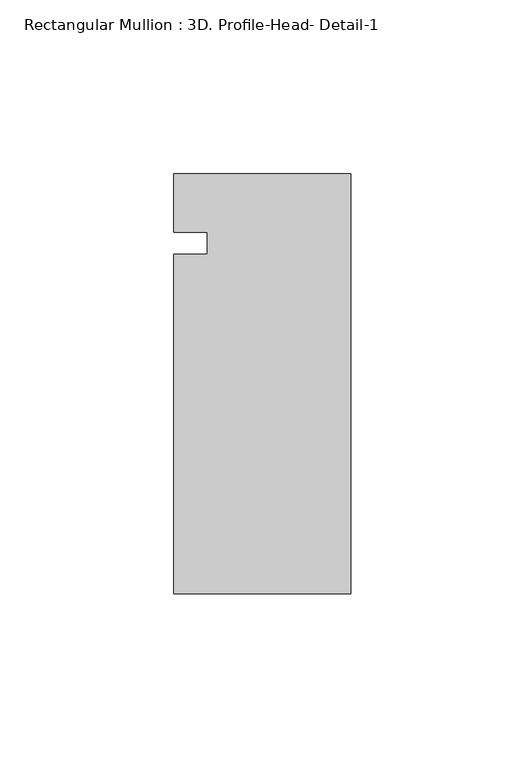
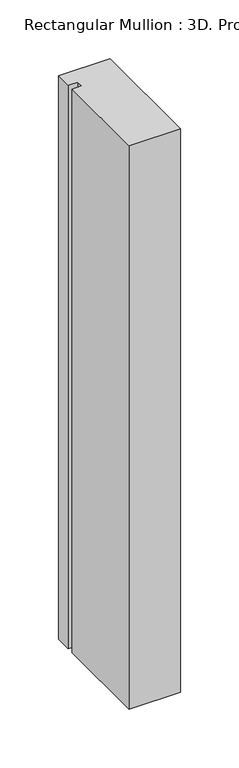
"""IFC4 building model written with IfcOpenShell, lengths in millimetres: member geometry, Rectangular Mullion : 3D. Profile-Head- Detail-1."""

from ifc_helpers import new_model, si_unit, frame, origin, place, context, project, spatial, polyline, outline, extrude, source, transform, mapped, element, save


def rectangular_mullion_3d_profile_head_detail_1_55a8b9af(model_context):
    return source(origin(), model_context, "Body", "SweptSolid", [
        extrude(outline(polyline([(0.0, -59.9711801), (-50.8, -59.9711801), (-50.8, 37.5487695), (-41.275, 37.5487695), (-41.275, 43.9875445), (-50.8, 43.9875445), (-50.8, 60.6788199), (0.0, 60.6788199), (0.0, -59.9711801)])), frame((0.0, 0.0, -587.4934446), z_axis=(0.0, 0.0, 1.0), x_axis=(1.0, 0.0, 0.0)), (0.0, 0.0, 1.0), 587.4934446),
    ])


if __name__ == "__main__":
    model = new_model("IFC4")
    model_context = context("Model", 3, world=origin())
    ifc_project = project(units=[si_unit("LENGTHUNIT", "METRE", prefix="MILLI")], contexts=[model_context])
    site = spatial("IfcSite", under=ifc_project)
    building = spatial("IfcBuilding", under=site)
    placement = place(None, origin())
    rectangular_mullion_3d_profile_head_detail_1_shape = rectangular_mullion_3d_profile_head_detail_1_55a8b9af(model_context)
    element("IfcMember", 1, ObjectType="Rectangular Mullion : 3D. Profile-Head- Detail-1", at=placement, inside=building, context=model_context, shape_type="MappedRepresentation", body=[
        mapped(rectangular_mullion_3d_profile_head_detail_1_shape, transform((0.0, 0.0, 0.0), x_axis=(1.0, 0.0, 0.0), y_axis=(0.0, 1.0, 0.0), z_axis=(0.0, 0.0, 1.0))),
    ])
    save(model, "model.ifc")
